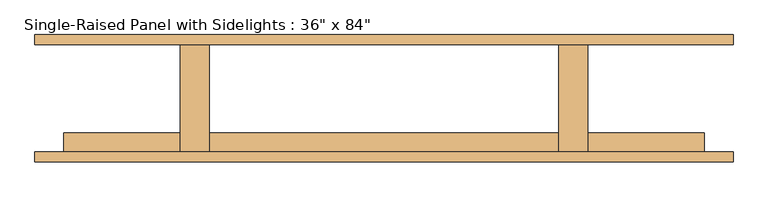
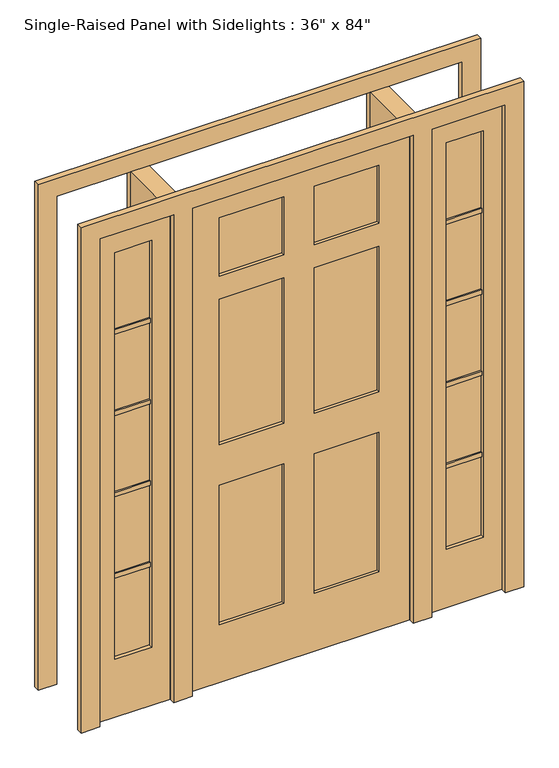
"""IFC4 building model written with IfcOpenShell, lengths in millimetres: door geometry."""

from ifc_helpers import new_model, si_unit, frame, origin, origin_with_axes, place, context, project, spatial, polyline, outline, extrude, source, transform, mapped, element, save


def door_6e0b2b44(model_context):
    return source(origin(), model_context, "Body", "SweptSolid", [
        extrude(outline(polyline([(762.0, -100.0125), (762.0, -131.7625), (609.6, -131.7625), (609.6, -100.0125), (762.0, -100.0125)])), frame((0.0, 0.0, 600.075), z_axis=(0.0, 0.0, 1.0), x_axis=(1.0, 0.0, 0.0)), (0.0, 0.0, 1.0), 19.05),
        extrude(outline(polyline([(762.0, -100.0125), (762.0, -131.7625), (609.6, -131.7625), (609.6, -100.0125), (762.0, -100.0125)])), frame((0.0, 0.0, 955.675), z_axis=(0.0, 0.0, 1.0), x_axis=(1.0, 0.0, 0.0)), (0.0, 0.0, 1.0), 19.05),
        extrude(outline(polyline([(762.0, -100.0125), (762.0, -131.7625), (609.6, -131.7625), (609.6, -100.0125), (762.0, -100.0125)])), frame((0.0, 0.0, 1311.275), z_axis=(0.0, 0.0, 1.0), x_axis=(1.0, 0.0, 0.0)), (0.0, 0.0, 1.0), 19.05),
        extrude(outline(polyline([(762.0, -100.0125), (762.0, -131.7625), (609.6, -131.7625), (609.6, -100.0125), (762.0, -100.0125)])), frame((0.0, 0.0, 1666.875), z_axis=(0.0, 0.0, 1.0), x_axis=(1.0, 0.0, 0.0)), (0.0, 0.0, 1.0), 19.05),
        extrude(outline(polyline([(-609.6, -100.0125), (-609.6, -131.7625), (-762.0, -131.7625), (-762.0, -100.0125), (-609.6, -100.0125)])), frame((0.0, 0.0, 1666.875), z_axis=(0.0, 0.0, 1.0), x_axis=(1.0, 0.0, 0.0)), (0.0, 0.0, 1.0), 19.05),
        extrude(outline(polyline([(-609.6, -100.0125), (-609.6, -131.7625), (-762.0, -131.7625), (-762.0, -100.0125), (-609.6, -100.0125)])), frame((0.0, 0.0, 1311.275), z_axis=(0.0, 0.0, 1.0), x_axis=(1.0, 0.0, 0.0)), (0.0, 0.0, 1.0), 19.05),
        extrude(outline(polyline([(-609.6, -100.0125), (-609.6, -131.7625), (-762.0, -131.7625), (-762.0, -100.0125), (-609.6, -100.0125)])), frame((0.0, 0.0, 955.675), z_axis=(0.0, 0.0, 1.0), x_axis=(1.0, 0.0, 0.0)), (0.0, 0.0, 1.0), 19.05),
        extrude(outline(polyline([(-609.6, -100.0125), (-609.6, -131.7625), (-762.0, -131.7625), (-762.0, -100.0125), (-609.6, -100.0125)])), frame((0.0, 0.0, 600.075), z_axis=(0.0, 0.0, 1.0), x_axis=(1.0, 0.0, 0.0)), (0.0, 0.0, 1.0), 19.05),
        extrude(outline(polyline([(762.0, -106.3625), (762.0, -125.4125), (609.6, -125.4125), (609.6, -106.3625), (762.0, -106.3625)])), frame((0.0, 0.0, 254.0), z_axis=(0.0, 0.0, 1.0), x_axis=(1.0, 0.0, 0.0)), (0.0, 0.0, 1.0), 1778.0),
        extrude(outline(polyline([(-609.6, -106.3625), (-609.6, -125.4125), (-762.0, -125.4125), (-762.0, -106.3625), (-609.6, -106.3625)])), frame((0.0, 0.0, 254.0), z_axis=(0.0, 0.0, 1.0), x_axis=(1.0, 0.0, 0.0)), (0.0, 0.0, 1.0), 1778.0),
        extrude(outline(polyline([(-457.2, 141.2875), (-457.2, -141.2875), (-533.4, -141.2875), (-533.4, 141.2875), (-457.2, 141.2875)])), origin_with_axes(), (0.0, 0.0, 1.0), 2133.6),
        extrude(outline(polyline([(533.4, 141.2875), (533.4, -141.2875), (457.2, -141.2875), (457.2, 141.2875), (533.4, 141.2875)])), origin_with_axes(), (0.0, 0.0, 1.0), 2133.6),
        extrude(outline(polyline([(2133.6, -533.4), (2133.6, -838.2), (0.0, -838.2), (0.0, -533.4), (2133.6, -533.4)]), holes=[polyline([(2032.0, -609.6), (254.0, -609.6), (254.0, -762.0), (2032.0, -762.0), (2032.0, -609.6)])]), frame((0.0, -141.2875, 0.0), z_axis=(0.0, 1.0, 0.0), x_axis=(0.0, 0.0, 1.0)), (0.0, 0.0, 1.0), 50.8),
        extrude(outline(polyline([(0.0, 533.4), (0.0, 838.2), (2133.6, 838.2), (2133.6, 533.4), (0.0, 533.4)]), holes=[polyline([(2032.0, 762.0), (254.0, 762.0), (254.0, 609.6), (2032.0, 609.6), (2032.0, 762.0)])]), frame((0.0, -141.2875, 0.0), z_axis=(0.0, 1.0, 0.0), x_axis=(0.0, 0.0, 1.0)), (0.0, 0.0, 1.0), 50.8),
        extrude(outline(polyline([(0.0, -914.4), (0.0, -838.2), (2133.6, -838.2), (2133.6, -533.4), (0.0, -533.4), (0.0, -457.2), (2133.6, -457.2), (2133.6, 457.2), (0.0, 457.2), (0.0, 533.4), (2133.6, 533.4), (2133.6, 838.2), (0.0, 838.2), (0.0, 914.4), (2209.8, 914.4), (2209.8, -914.4), (0.0, -914.4)])), frame((0.0, 141.2875, 0.0), z_axis=(0.0, 1.0, 0.0), x_axis=(0.0, 0.0, 1.0)), (0.0, 0.0, 1.0), 25.4),
        extrude(outline(polyline([(0.0, 914.4), (2209.8, 914.4), (2209.8, -914.4), (0.0, -914.4), (0.0, -838.2), (2133.6, -838.2), (2133.6, -533.4), (0.0, -533.4), (0.0, -457.2), (2133.6, -457.2), (2133.6, 457.2), (0.0, 457.2), (0.0, 533.4), (2133.6, 533.4), (2133.6, 838.2), (0.0, 838.2), (0.0, 914.4)])), frame((0.0, -166.6875, 0.0), z_axis=(0.0, 1.0, 0.0), x_axis=(0.0, 0.0, 1.0)), (0.0, 0.0, 1.0), 25.4),
        extrude(outline(polyline([(-63.5, -103.1875), (-63.5, -128.5875), (-330.2, -128.5875), (-330.2, -103.1875), (-63.5, -103.1875)])), frame((0.0, 0.0, 1778.0), z_axis=(0.0, 0.0, 1.0), x_axis=(1.0, 0.0, 0.0)), (0.0, 0.0, 1.0), 254.0),
        extrude(outline(polyline([(330.2, -103.1875), (330.2, -128.5875), (63.5, -128.5875), (63.5, -103.1875), (330.2, -103.1875)])), frame((0.0, 0.0, 1778.0), z_axis=(0.0, 0.0, 1.0), x_axis=(1.0, 0.0, 0.0)), (0.0, 0.0, 1.0), 254.0),
        extrude(outline(polyline([(-63.5, -103.1875), (-63.5, -128.5875), (-330.2, -128.5875), (-330.2, -103.1875), (-63.5, -103.1875)])), frame((0.0, 0.0, 1041.4), z_axis=(0.0, 0.0, 1.0), x_axis=(1.0, 0.0, 0.0)), (0.0, 0.0, 1.0), 635.0),
        extrude(outline(polyline([(330.2, -103.1875), (330.2, -128.5875), (63.5, -128.5875), (63.5, -103.1875), (330.2, -103.1875)])), frame((0.0, 0.0, 1041.4), z_axis=(0.0, 0.0, 1.0), x_axis=(1.0, 0.0, 0.0)), (0.0, 0.0, 1.0), 635.0),
        extrude(outline(polyline([(-63.5, -103.1875), (-63.5, -128.5875), (-330.2, -128.5875), (-330.2, -103.1875), (-63.5, -103.1875)])), frame((0.0, 0.0, 254.0), z_axis=(0.0, 0.0, 1.0), x_axis=(1.0, 0.0, 0.0)), (0.0, 0.0, 1.0), 609.6),
        extrude(outline(polyline([(330.2, -103.1875), (330.2, -128.5875), (63.5, -128.5875), (63.5, -103.1875), (330.2, -103.1875)])), frame((0.0, 0.0, 254.0), z_axis=(0.0, 0.0, 1.0), x_axis=(1.0, 0.0, 0.0)), (0.0, 0.0, 1.0), 609.6),
        extrude(outline(polyline([(2133.6, 457.2), (2133.6, -457.2), (0.0, -457.2), (0.0, 457.2), (2133.6, 457.2)]), holes=[polyline([(2032.0, -63.5), (1778.0, -63.5), (1778.0, -330.2), (2032.0, -330.2), (2032.0, -63.5)]), polyline([(2032.0, 330.2), (1778.0, 330.2), (1778.0, 63.5), (2032.0, 63.5), (2032.0, 330.2)]), polyline([(1676.4, -63.5), (1041.4, -63.5), (1041.4, -330.2), (1676.4, -330.2), (1676.4, -63.5)]), polyline([(1676.4, 330.2), (1041.4, 330.2), (1041.4, 63.5), (1676.4, 63.5), (1676.4, 330.2)]), polyline([(863.6, -63.5), (254.0, -63.5), (254.0, -330.2), (863.6, -330.2), (863.6, -63.5)]), polyline([(863.6, 330.2), (254.0, 330.2), (254.0, 63.5), (863.6, 63.5), (863.6, 330.2)])]), frame((0.0, -141.2875, 0.0), z_axis=(0.0, 1.0, 0.0), x_axis=(0.0, 0.0, 1.0)), (0.0, 0.0, 1.0), 50.8),
    ])


if __name__ == "__main__":
    model = new_model("IFC4")
    model_context = context("Model", 3, world=origin())
    ifc_project = project(units=[si_unit("LENGTHUNIT", "METRE", prefix="MILLI")], contexts=[model_context])
    site = spatial("IfcSite", under=ifc_project)
    building = spatial("IfcBuilding", under=site)
    placement = place(None, origin())
    door_shape = door_6e0b2b44(model_context)
    element("IfcDoor", 1, ObjectType="Single-Raised Panel with Sidelights : 36\" x 84\"", at=placement, inside=building, context=model_context, shape_type="MappedRepresentation", body=[
        mapped(door_shape, transform((0.0, 0.0, 0.0), x_axis=(1.0, 0.0, 0.0), y_axis=(0.0, 1.0, 0.0), z_axis=(0.0, 0.0, 1.0))),
    ])
    save(model, "model.ifc")
